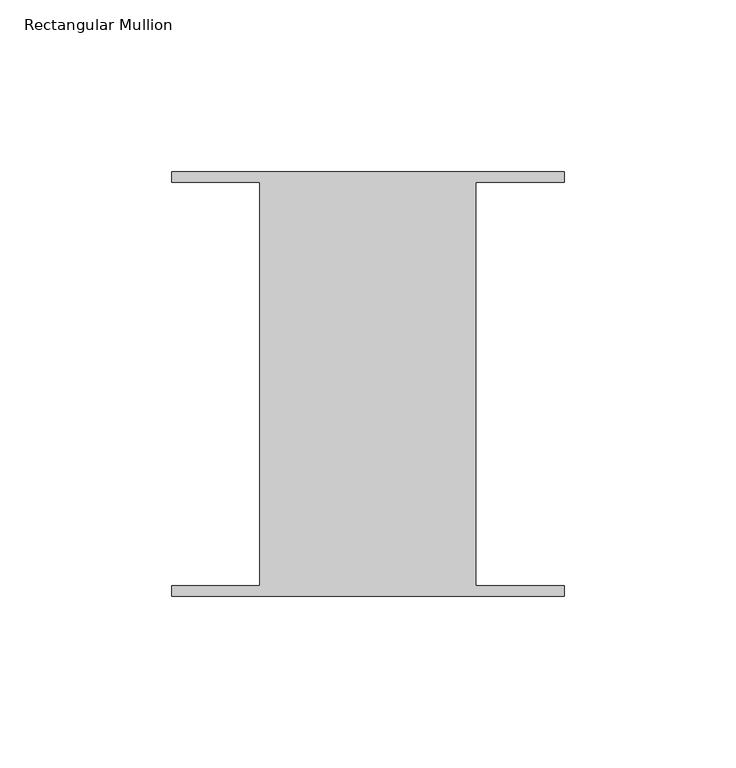
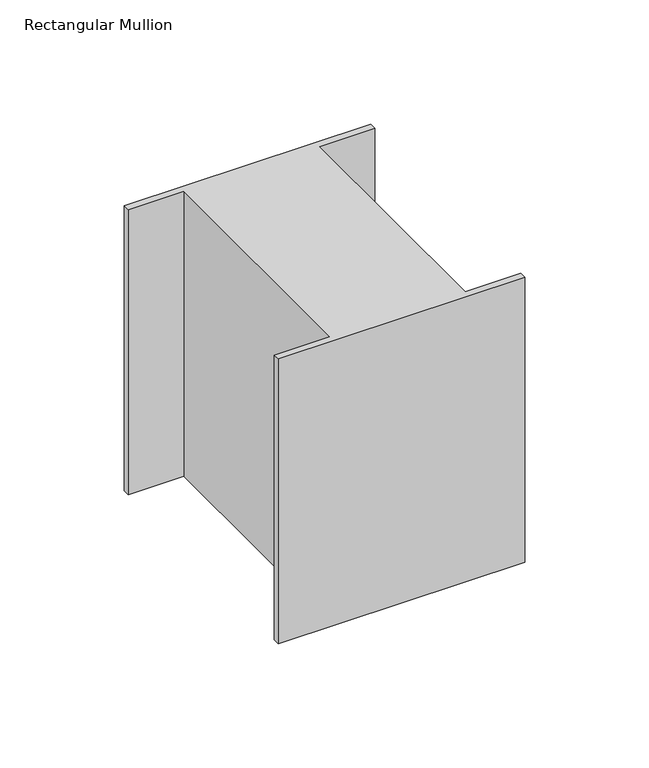
"""IFC4 building model written with IfcOpenShell, lengths in millimetres: member geometry, Rectangular Mullion."""

from ifc_helpers import new_model, si_unit, frame, origin, place, context, project, spatial, polyline, outline, extrude, source, transform, mapped, element, save


def rectangular_mullion_caae2eee(model_context):
    return source(origin(), model_context, "Body", "SweptSolid", [
        extrude(outline(polyline([(31.4523438, 58.6995588), (31.4523437, -58.7754412), (57.15, -58.7754413), (57.15, -61.8512225), (-57.15, -61.8512225), (-57.15, -58.7754413), (-31.4523438, -58.7754412), (-31.4523437, 58.6995588), (-57.15, 58.6995587), (-57.15, 61.77534), (57.15, 61.77534), (57.15, 58.6995587), (31.4523438, 58.6995588)])), frame((0.0, 0.0, -139.7), z_axis=(0.0, 0.0, 1.0), x_axis=(1.0, 0.0, 0.0)), (0.0, 0.0, 1.0), 139.7),
    ])


if __name__ == "__main__":
    model = new_model("IFC4")
    model_context = context("Model", 3, world=origin())
    ifc_project = project(units=[si_unit("LENGTHUNIT", "METRE", prefix="MILLI")], contexts=[model_context])
    site = spatial("IfcSite", under=ifc_project)
    building = spatial("IfcBuilding", under=site)
    placement = place(None, origin())
    rectangular_mullion_shape = rectangular_mullion_caae2eee(model_context)
    element("IfcMember", 1, ObjectType="Rectangular Mullion", at=placement, inside=building, context=model_context, shape_type="MappedRepresentation", body=[
        mapped(rectangular_mullion_shape, transform((0.0, 0.0, 0.0), x_axis=(1.0, 0.0, 0.0), y_axis=(0.0, 1.0, 0.0), z_axis=(0.0, 0.0, 1.0))),
    ])
    save(model, "model.ifc")
